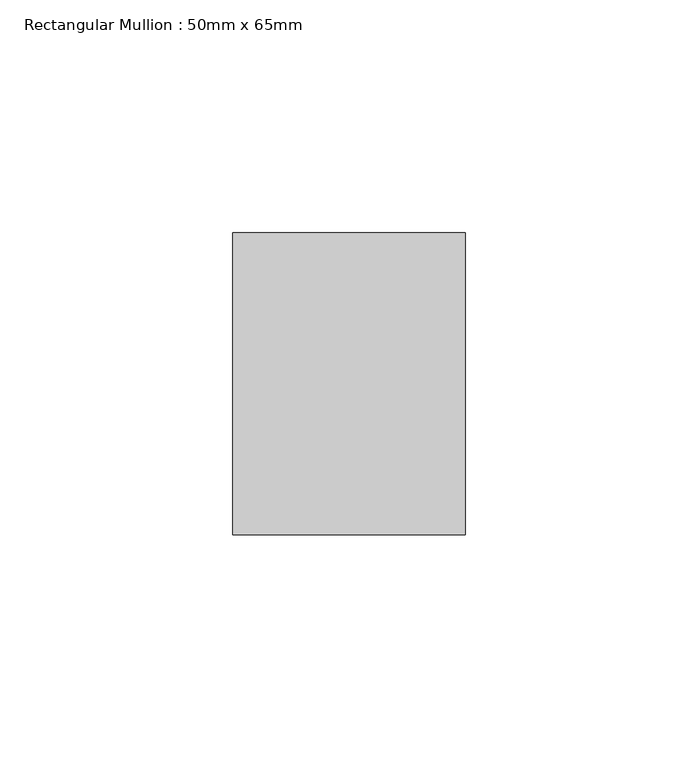
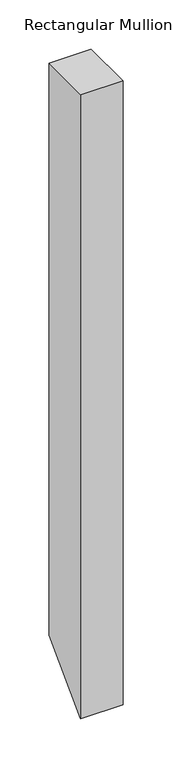
"""IFC4 building model written with IfcOpenShell, lengths in millimetres: member geometry, Rectangular Mullion : 50mm x 65mm."""

from ifc_helpers import new_model, si_unit, frame, origin, place, context, project, spatial, polyline, outline, extrude, source, transform, mapped, element, save


def rectangular_mullion_50mm_x_65mm_238e861b(model_context):
    return source(origin(), model_context, "Body", "SweptSolid", [
        extrude(outline(polyline([(-32.5, 0.0), (32.5, 0.0), (32.5, -712.5), (-32.5, -777.5), (-32.5, 0.0)])), frame((-50.0, 0.0, 0.0), z_axis=(1.0, 0.0, 0.0), x_axis=(0.0, 1.0, 0.0)), (0.0, 0.0, 1.0), 50.0),
    ])


if __name__ == "__main__":
    model = new_model("IFC4")
    model_context = context("Model", 3, world=origin())
    ifc_project = project(units=[si_unit("LENGTHUNIT", "METRE", prefix="MILLI")], contexts=[model_context])
    site = spatial("IfcSite", under=ifc_project)
    building = spatial("IfcBuilding", under=site)
    placement = place(None, origin())
    rectangular_mullion_50mm_x_65mm_shape = rectangular_mullion_50mm_x_65mm_238e861b(model_context)
    element("IfcMember", 1, ObjectType="Rectangular Mullion : 50mm x 65mm", at=placement, inside=building, context=model_context, shape_type="MappedRepresentation", body=[
        mapped(rectangular_mullion_50mm_x_65mm_shape, transform((0.0, 0.0, 0.0), x_axis=(1.0, 0.0, 0.0), y_axis=(0.0, 1.0, 0.0), z_axis=(0.0, 0.0, 1.0))),
    ])
    save(model, "model.ifc")
